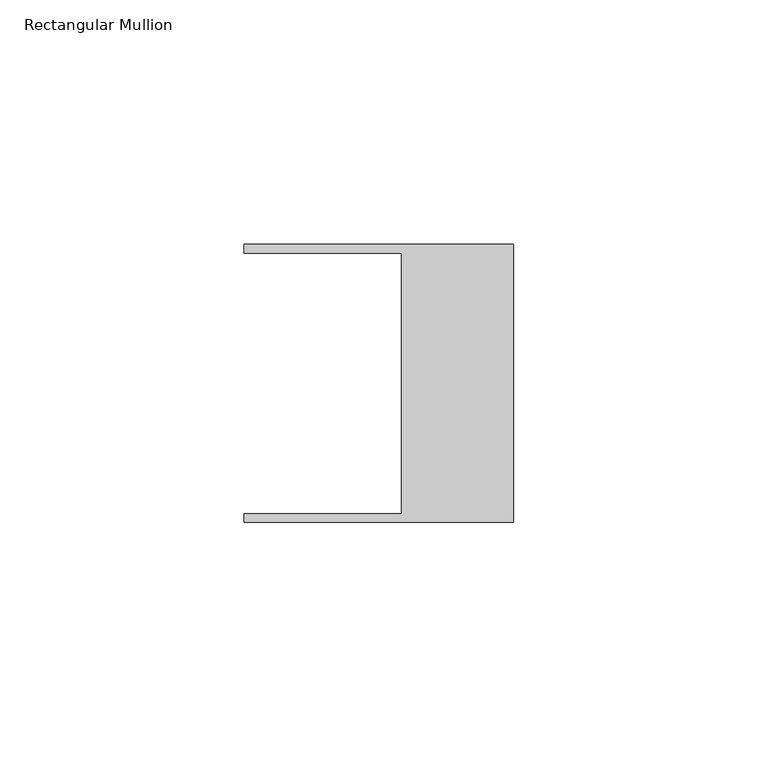
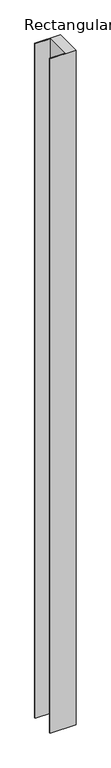
"""IFC4 building model written with IfcOpenShell, lengths in millimetres: member geometry, Rectangular Mullion."""

from ifc_helpers import new_model, si_unit, frame, origin, place, context, project, spatial, polyline, outline, extrude, source, transform, mapped, element, save


def rectangular_mullion_310196e1(model_context):
    return source(origin(), model_context, "Body", "SweptSolid", [
        extrude(outline(polyline([(-55.118, 26.67), (-55.118, 28.448), (0.0, 28.448), (0.0, -28.448), (-55.118, -28.448), (-55.118, -26.67), (-22.86, -26.67), (-22.86, 26.67), (-55.118, 26.67)])), frame((0.0, 0.0, -1516.5916667), z_axis=(0.0, 0.0, 1.0), x_axis=(1.0, 0.0, 0.0)), (0.0, 0.0, 1.0), 1516.5916667),
    ])


if __name__ == "__main__":
    model = new_model("IFC4")
    model_context = context("Model", 3, world=origin())
    ifc_project = project(units=[si_unit("LENGTHUNIT", "METRE", prefix="MILLI")], contexts=[model_context])
    site = spatial("IfcSite", under=ifc_project)
    building = spatial("IfcBuilding", under=site)
    placement = place(None, origin())
    rectangular_mullion_shape = rectangular_mullion_310196e1(model_context)
    element("IfcMember", 1, ObjectType="Rectangular Mullion", at=placement, inside=building, context=model_context, shape_type="MappedRepresentation", body=[
        mapped(rectangular_mullion_shape, transform((0.0, 0.0, 0.0), x_axis=(1.0, 0.0, 0.0), y_axis=(0.0, 1.0, 0.0), z_axis=(0.0, 0.0, 1.0))),
    ])
    save(model, "model.ifc")
